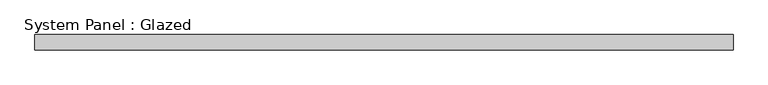
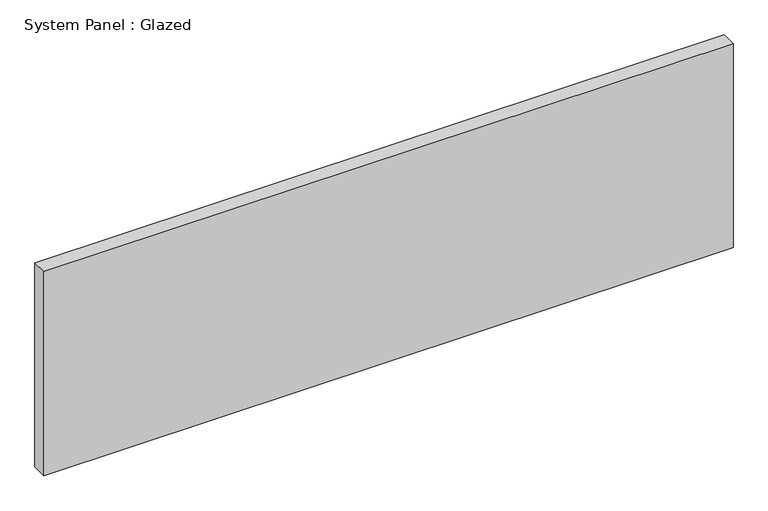
"""IFC4 building model written with IfcOpenShell, lengths in millimetres: plate geometry, System Panel : Glazed."""

from ifc_helpers import new_model, si_unit, origin, origin_with_axes, place, context, project, spatial, polyline, outline, extrude, source, transform, mapped, element, save


def system_panel_glazed_496eb5f8(model_context):
    return source(origin(), model_context, "Body", "SweptSolid", [
        extrude(outline(polyline([(577.85, 19.05), (-577.85, 19.05), (-577.85, 44.45), (577.85, 44.45), (577.85, 19.05)])), origin_with_axes(), (0.0, 0.0, 1.0), 361.95),
    ])


if __name__ == "__main__":
    model = new_model("IFC4")
    model_context = context("Model", 3, world=origin())
    ifc_project = project(units=[si_unit("LENGTHUNIT", "METRE", prefix="MILLI")], contexts=[model_context])
    site = spatial("IfcSite", under=ifc_project)
    building = spatial("IfcBuilding", under=site)
    placement = place(None, origin())
    system_panel_glazed_shape = system_panel_glazed_496eb5f8(model_context)
    element("IfcPlate", 1, ObjectType="System Panel : Glazed", at=placement, inside=building, context=model_context, shape_type="MappedRepresentation", body=[
        mapped(system_panel_glazed_shape, transform((0.0, 0.0, 0.0), x_axis=(1.0, 0.0, 0.0), y_axis=(0.0, 1.0, 0.0), z_axis=(0.0, 0.0, 1.0))),
    ])
    save(model, "model.ifc")
